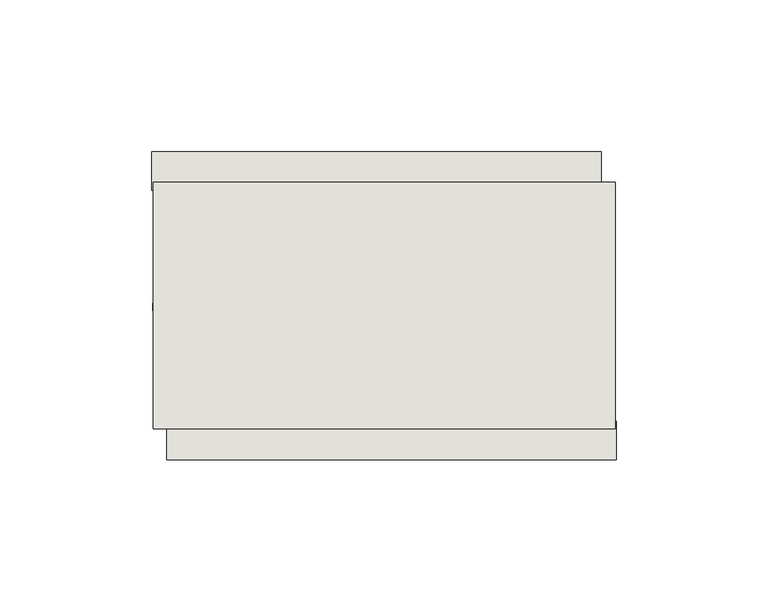
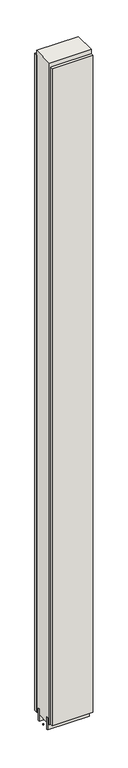
"""IFC4 building model written with IfcOpenShell, lengths in millimetres: wall geometry."""

from ifc_helpers import new_model, si_unit, frame, origin, place, context, project, spatial, polyline, outline, extrude, source, transform, mapped, element, save


def wall_01ab8d82(model_context):
    return source(origin(), model_context, "Body", "SweptSolid", [
        extrude(outline(polyline([(64785.2127204, -39414.4636398), (64787.7527204, -39414.4636398), (64787.7527204, -39417.0036398), (64785.2127204, -39417.0036398), (64785.2127204, -39414.4636398)])), frame((0.0, 0.0, 4419.6), z_axis=(0.0, 0.0, 1.0), x_axis=(1.0, 0.0, 0.0)), (0.0, 0.0, 1.0), 2.54),
        extrude(outline(polyline([(64938.0733469, -39466.5336398), (64789.6733439, -39466.5336398), (64789.6733439, -39453.8336398), (64938.0733469, -39453.8336398), (64938.0733469, -39466.5336398)])), frame((0.0, 0.0, 4445.0), z_axis=(0.0, 0.0, 1.0), x_axis=(1.0, 0.0, 0.0)), (0.0, 0.0, 1.0), 2545.0498756),
        extrude(outline(polyline([(64784.7496047, -39364.9336398), (64933.1496077, -39364.9336398), (64933.1496077, -39377.6336398), (64784.7496047, -39377.6336398), (64784.7496047, -39364.9336398)])), frame((0.0, 0.0, 4445.0), z_axis=(0.0, 0.0, 1.0), x_axis=(1.0, 0.0, 0.0)), (0.0, 0.0, 1.0), 2545.0498756),
        extrude(outline(polyline([(64785.2176734, -39440.8142856), (64937.6176734, -39440.8142856), (64937.6176734, -39445.8961398), (64785.2176734, -39445.8961398), (64785.2176734, -39440.8142856)])), frame((0.0, 0.0, 4418.6602), z_axis=(0.0, 0.0, 1.0), x_axis=(1.0, 0.0, 0.0)), (0.0, 0.0, 1.0), 47.625),
        extrude(outline(polyline([(64785.2176734, -39440.8142856), (64937.6176734, -39440.8142856), (64937.6176734, -39445.8961398), (64785.2176734, -39445.8961398), (64785.2176734, -39440.8142856)])), frame((0.0, 0.0, 4418.6602), z_axis=(0.0, 0.0, 1.0), x_axis=(1.0, 0.0, 0.0)), (0.0, 0.0, 1.0), 47.625),
        extrude(outline(polyline([(64937.6176734, -39390.6498952), (64785.2176734, -39390.6498952), (64785.2176734, -39385.5711398), (64937.6176734, -39385.5711398), (64937.6176734, -39390.6498952)])), frame((0.0, 0.0, 4418.6602), z_axis=(0.0, 0.0, 1.0), x_axis=(1.0, 0.0, 0.0)), (0.0, 0.0, 1.0), 47.625),
        extrude(outline(polyline([(64937.6176734, -39390.6498952), (64785.2176734, -39390.6498952), (64785.2176734, -39385.5711398), (64937.6176734, -39385.5711398), (64937.6176734, -39390.6498952)])), frame((0.0, 0.0, 4418.6602), z_axis=(0.0, 0.0, 1.0), x_axis=(1.0, 0.0, 0.0)), (0.0, 0.0, 1.0), 47.625),
        extrude(outline(polyline([(64785.2176734, -39456.3854254), (64785.2176734, -39375.10667), (64937.6176734, -39375.10667), (64937.6176734, -39456.3854254), (64785.2176734, -39456.3854254)])), frame((0.0, 0.0, 4445.0), z_axis=(0.0, 0.0, 1.0), x_axis=(1.0, 0.0, 0.0)), (0.0, 0.0, 1.0), 2562.4536762),
    ])


if __name__ == "__main__":
    model = new_model("IFC4")
    model_context = context("Model", 3, world=origin())
    ifc_project = project(units=[si_unit("LENGTHUNIT", "METRE", prefix="MILLI")], contexts=[model_context])
    site = spatial("IfcSite", under=ifc_project)
    building = spatial("IfcBuilding", under=site)
    placement = place(None, origin())
    wall_shape = wall_01ab8d82(model_context)
    element("IfcWall", 1, at=placement, inside=building, context=model_context, shape_type="MappedRepresentation", body=[
        mapped(wall_shape, transform((0.0, 0.0, 0.0), x_axis=(1.0, 0.0, 0.0), y_axis=(0.0, 1.0, 0.0), z_axis=(0.0, 0.0, 1.0))),
    ])
    save(model, "model.ifc")
